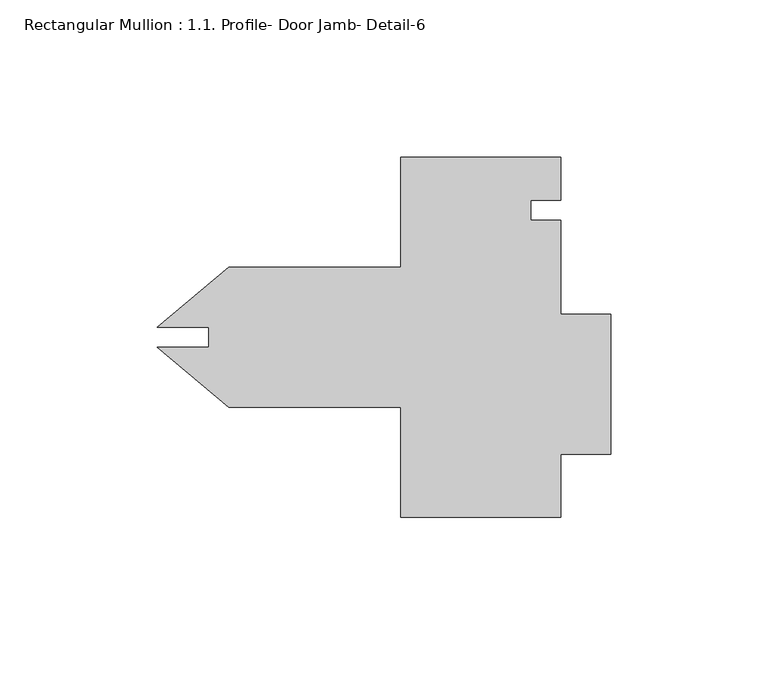
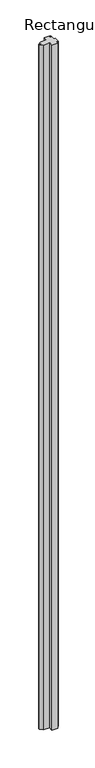
"""IFC4 building model written with IfcOpenShell, lengths in millimetres: member geometry, Rectangular Mullion : 1.1. Profile- Door Jamb- Detail-6."""

from ifc_helpers import new_model, si_unit, frame, origin, place, context, project, spatial, polyline, outline, extrude, source, transform, mapped, element, save


def rectangular_mullion_1_1_profile_door_jamb_detail_6_277fa72f(model_context):
    return source(origin(), model_context, "Body", "SweptSolid", [
        extrude(outline(polyline([(25.4, -57.1857251), (-25.4, -57.1857251), (-25.4, -22.2607251), (-80.0576397, -22.2607251), (-102.7759723, -3.1977806), (-86.4973699, -3.1977806), (-86.4973699, 3.1263304), (-102.7759723, 3.1263304), (-80.0576397, 22.1892749), (-25.4, 22.1892749), (-25.4, 57.1142749), (25.4, 57.1142749), (25.4, 43.4617749), (15.875, 43.4617749), (15.875, 37.1117749), (25.4, 37.1117749), (25.4, 7.2035251), (41.275, 7.2035251), (41.275, -37.2464749), (25.4, -37.2464749), (25.4, -57.1857251)])), frame((0.0, 0.0, -6096.0), z_axis=(0.0, 0.0, 1.0), x_axis=(1.0, 0.0, 0.0)), (0.0, 0.0, 1.0), 6096.0),
    ])


if __name__ == "__main__":
    model = new_model("IFC4")
    model_context = context("Model", 3, world=origin())
    ifc_project = project(units=[si_unit("LENGTHUNIT", "METRE", prefix="MILLI")], contexts=[model_context])
    site = spatial("IfcSite", under=ifc_project)
    building = spatial("IfcBuilding", under=site)
    placement = place(None, origin())
    rectangular_mullion_1_1_profile_door_jamb_detail_6_shape = rectangular_mullion_1_1_profile_door_jamb_detail_6_277fa72f(model_context)
    element("IfcMember", 1, ObjectType="Rectangular Mullion : 1.1. Profile- Door Jamb- Detail-6", at=placement, inside=building, context=model_context, shape_type="MappedRepresentation", body=[
        mapped(rectangular_mullion_1_1_profile_door_jamb_detail_6_shape, transform((0.0, 0.0, 0.0), x_axis=(1.0, 0.0, 0.0), y_axis=(0.0, 1.0, 0.0), z_axis=(0.0, 0.0, 1.0))),
    ])
    save(model, "model.ifc")
